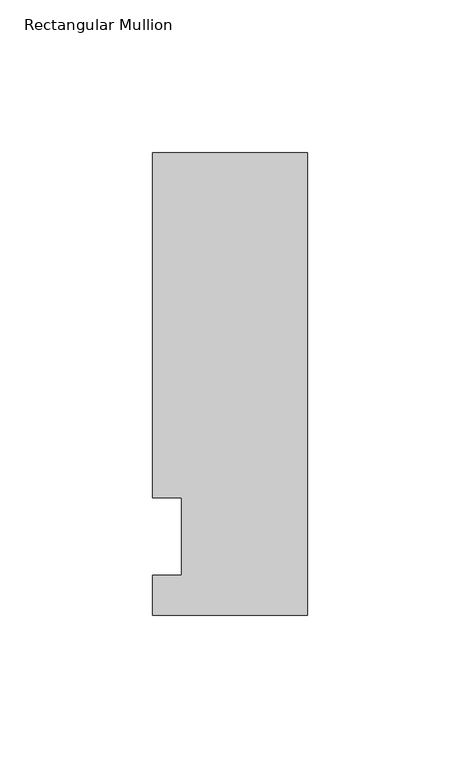
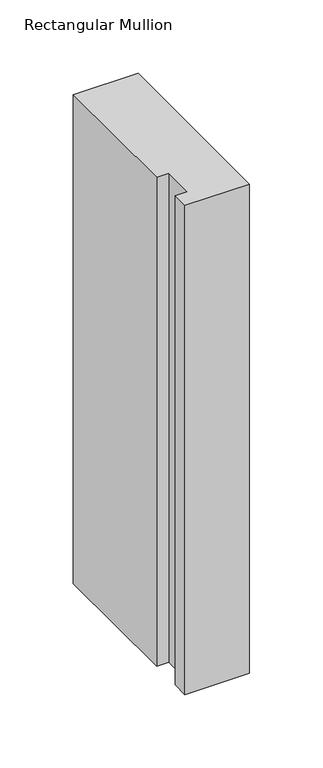
"""IFC4 building model written with IfcOpenShell, lengths in millimetres: member geometry, Rectangular Mullion."""

from ifc_helpers import new_model, si_unit, frame, origin, place, context, project, spatial, polyline, outline, extrude, source, transform, mapped, element, save


def rectangular_mullion_6d8d6300(model_context):
    return source(origin(), model_context, "Body", "SweptSolid", [
        extrude(outline(polyline([(-50.8, -25.7961253), (-50.8, -12.7), (-41.275, -12.7), (-41.275, 12.7), (-50.8, 12.7), (-50.8, 125.8036906), (0.0, 125.8036906), (0.0, -25.7961253), (-50.8, -25.7961253)])), frame((0.0, 0.0, -406.4), z_axis=(0.0, 0.0, 1.0), x_axis=(1.0, 0.0, 0.0)), (0.0, 0.0, 1.0), 406.4),
    ])


if __name__ == "__main__":
    model = new_model("IFC4")
    model_context = context("Model", 3, world=origin())
    ifc_project = project(units=[si_unit("LENGTHUNIT", "METRE", prefix="MILLI")], contexts=[model_context])
    site = spatial("IfcSite", under=ifc_project)
    building = spatial("IfcBuilding", under=site)
    placement = place(None, origin())
    rectangular_mullion_shape = rectangular_mullion_6d8d6300(model_context)
    element("IfcMember", 1, ObjectType="Rectangular Mullion", at=placement, inside=building, context=model_context, shape_type="MappedRepresentation", body=[
        mapped(rectangular_mullion_shape, transform((0.0, 0.0, 0.0), x_axis=(1.0, 0.0, 0.0), y_axis=(0.0, 1.0, 0.0), z_axis=(0.0, 0.0, 1.0))),
    ])
    save(model, "model.ifc")
